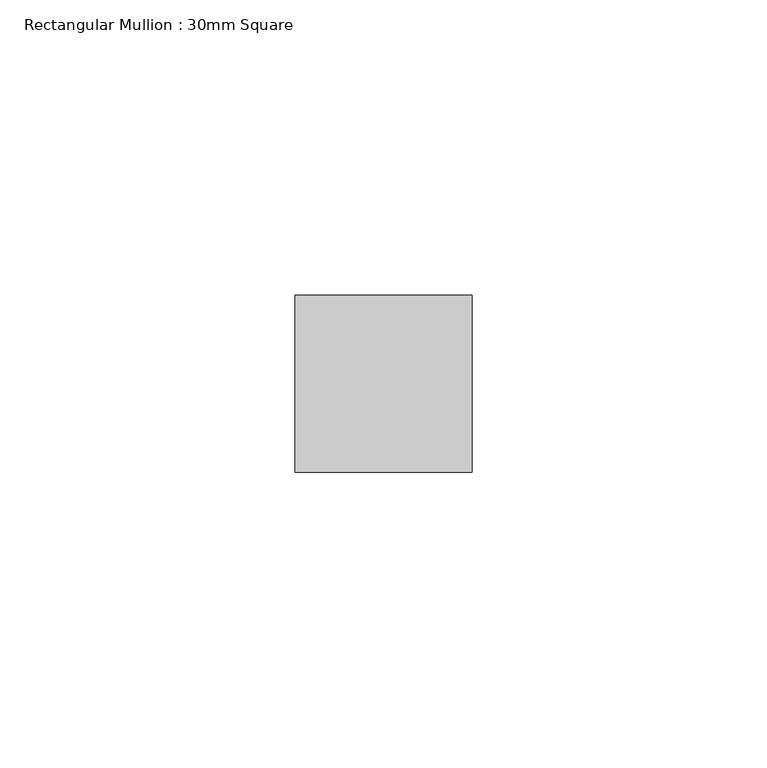
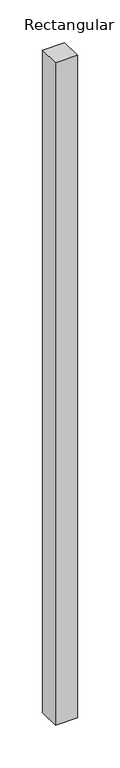
"""IFC4 building model written with IfcOpenShell, lengths in millimetres: member geometry, Rectangular Mullion : 30mm Square."""

from ifc_helpers import new_model, si_unit, frame, origin, place, context, project, spatial, polyline, outline, extrude, source, transform, mapped, element, save


def rectangular_mullion_30mm_square_bfe4e8d1(model_context):
    return source(origin(), model_context, "Body", "SweptSolid", [
        extrude(outline(polyline([(0.0, 15.0), (0.0, -15.0), (-30.0, -15.0), (-30.0, 15.0), (0.0, 15.0)])), frame((0.0, 0.0, -946.2561064), z_axis=(0.0, 0.0, 1.0), x_axis=(1.0, 0.0, 0.0)), (0.0, 0.0, 1.0), 946.2561064),
    ])


if __name__ == "__main__":
    model = new_model("IFC4")
    model_context = context("Model", 3, world=origin())
    ifc_project = project(units=[si_unit("LENGTHUNIT", "METRE", prefix="MILLI")], contexts=[model_context])
    site = spatial("IfcSite", under=ifc_project)
    building = spatial("IfcBuilding", under=site)
    placement = place(None, origin())
    rectangular_mullion_30mm_square_shape = rectangular_mullion_30mm_square_bfe4e8d1(model_context)
    element("IfcMember", 1, ObjectType="Rectangular Mullion : 30mm Square", at=placement, inside=building, context=model_context, shape_type="MappedRepresentation", body=[
        mapped(rectangular_mullion_30mm_square_shape, transform((0.0, 0.0, 0.0), x_axis=(1.0, 0.0, 0.0), y_axis=(0.0, 1.0, 0.0), z_axis=(0.0, 0.0, 1.0))),
    ])
    save(model, "model.ifc")
